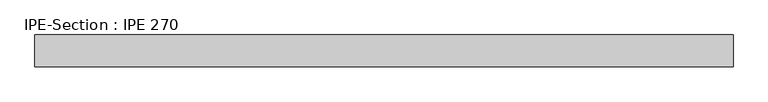
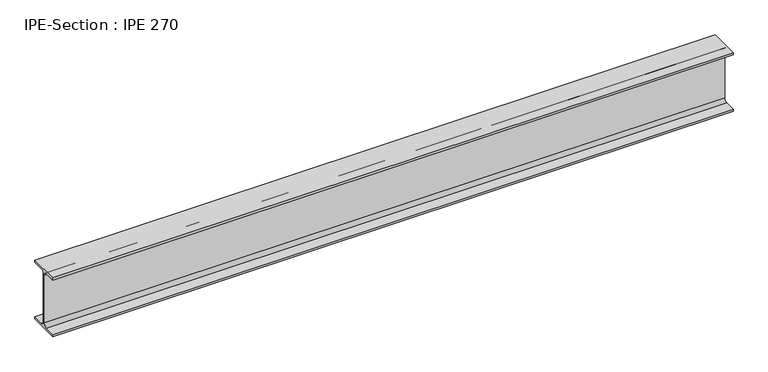
"""IFC4 building model written with IfcOpenShell, lengths in millimetres: beam geometry, IPE-Section : IPE 270."""

from ifc_helpers import new_model, si_unit, point, frame, frame_2d, origin, place, context, project, spatial, polyline, circle_curve, trimmed, segment, composite_curve, outline, extrude, source, transform, mapped, element, save


def ipe_section_ipe_270_d00ded10(model_context):
    return source(origin(), model_context, "Body", "SweptSolid", [
        extrude(outline(composite_curve([segment(polyline([(67.5, -124.8), (67.5, -135.0), (-67.5, -135.0), (-67.5, -124.8), (-18.3, -124.8)]), True, "CONTINUOUS"), segment(trimmed(circle_curve(frame_2d((-18.3, -109.8)), 15.0), [point((-18.3, -124.8))], [point((-3.3, -109.8))], True, "CARTESIAN"), True, "CONTINUOUS"), segment(polyline([(-3.3, -109.8), (-3.3, 109.8)]), True, "CONTINUOUS"), segment(trimmed(circle_curve(frame_2d((-18.3, 109.8)), 15.0), [point((-3.3, 109.8))], [point((-18.3, 124.8))], True, "CARTESIAN"), True, "CONTINUOUS"), segment(polyline([(-18.3, 124.8), (-67.5, 124.8), (-67.5, 135.0), (67.5, 135.0), (67.5, 124.8), (18.3, 124.8)]), True, "CONTINUOUS"), segment(trimmed(circle_curve(frame_2d((18.3, 109.8)), 15.0), [point((18.3, 124.8))], [point((3.3, 109.8))], True, "CARTESIAN"), True, "CONTINUOUS"), segment(polyline([(3.3, 109.8), (3.3, -109.8)]), True, "CONTINUOUS"), segment(trimmed(circle_curve(frame_2d((18.3, -109.8)), 15.0), [point((3.3, -109.8))], [point((18.3, -124.8))], True, "CARTESIAN"), True, "CONTINUOUS"), segment(polyline([(18.3, -124.8), (67.5, -124.8)]), True, "CONTINUOUS")], self_intersect=False)), frame((-1480.5499981, 0.0, 0.0), z_axis=(1.0, 0.0, 0.0), x_axis=(0.0, 1.0, 0.0)), (0.0, 0.0, 1.0), 2956.5999981),
    ])


if __name__ == "__main__":
    model = new_model("IFC4")
    model_context = context("Model", 3, world=origin())
    ifc_project = project(units=[si_unit("LENGTHUNIT", "METRE", prefix="MILLI")], contexts=[model_context])
    site = spatial("IfcSite", under=ifc_project)
    building = spatial("IfcBuilding", under=site)
    placement = place(None, origin())
    ipe_section_ipe_270_shape = ipe_section_ipe_270_d00ded10(model_context)
    element("IfcBeam", 1, ObjectType="IPE-Section : IPE 270", at=placement, inside=building, context=model_context, shape_type="MappedRepresentation", body=[
        mapped(ipe_section_ipe_270_shape, transform((0.0, 0.0, 0.0), x_axis=(1.0, 0.0, 0.0), y_axis=(0.0, 1.0, 0.0), z_axis=(0.0, 0.0, 1.0))),
    ])
    save(model, "model.ifc")
